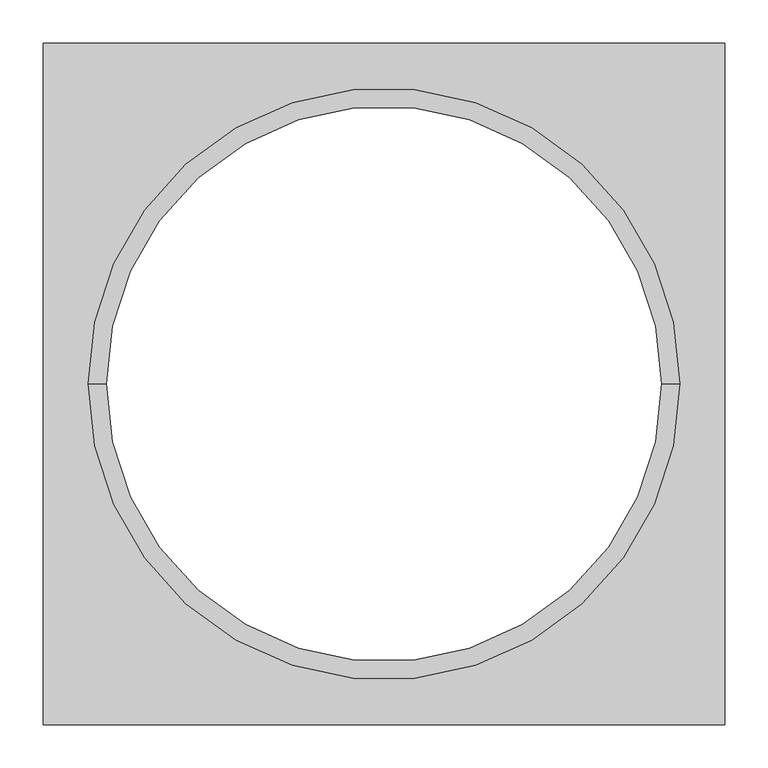
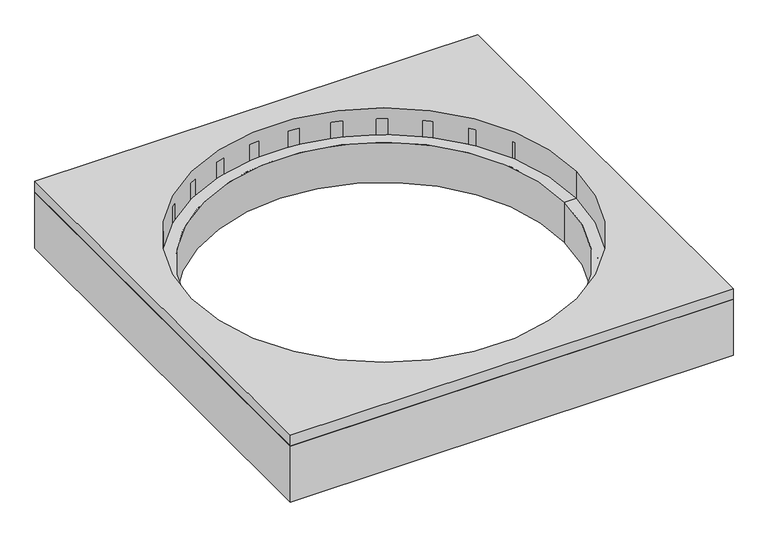
"""IFC4 building model written with IfcOpenShell, lengths in millimetres: sanitary terminal geometry."""

from ifc_helpers import new_model, si_unit, frame, origin, place, context, project, spatial, polyline, circle_curve, source, transform, mapped, element, save
from ifc_brep_helpers import plane_surface, cylinder_surface, revolved_surface, advanced_brep


def sanitary_terminal_58cdbc7f(model_context):
    return source(origin(), model_context, "Body", "AdvancedBrep", [
        advanced_brep(
        [(392.5, 392.5, -20.0), (-392.5, 392.5, -20.0), (-392.5, -392.5, -20.0), (392.5, -392.5, -20.0), (-342.0, 0.0, -20.0), (342.0, 0.0, -20.0), (392.5, 392.5, -125.0), (392.5, -392.5, -125.0), (-392.5, -392.5, -125.0), (-392.5, 392.5, -125.0), (330.0, 0.0, -125.0), (-330.0, 0.0, -125.0), (-330.0, 0.0, -60.0), (330.0, 0.0, -60.0), (342.0, 0.0, -60.0), (-342.0, 0.0, -60.0)],
        [
            (0, 1),
            (1, 2),
            (2, 3),
            (3, 0),
            (4, 5, circle_curve(frame((0.0, 0.0, -20.0), z_axis=(0.0, 0.0, -1.0), x_axis=(1.0, 0.0, 0.0)), 342.0)),
            (5, 4, circle_curve(frame((0.0, 0.0, -20.0), z_axis=(0.0, 0.0, -1.0), x_axis=(1.0, 0.0, 0.0)), 342.0)),
            (6, 7),
            (7, 8),
            (8, 9),
            (9, 6),
            (10, 11, circle_curve(frame((0.0, 0.0, -125.0), z_axis=(0.0, 0.0, 1.0), x_axis=(1.0, 0.0, 0.0)), 330.0)),
            (11, 10, circle_curve(frame((0.0, 0.0, -125.0), z_axis=(0.0, 0.0, 1.0), x_axis=(1.0, 0.0, 0.0)), 330.0)),
            (0, 6),
            (9, 1),
            (8, 2),
            (7, 3),
            (12, 11),
            (10, 13),
            (13, 12, circle_curve(frame((0.0, 0.0, -60.0), z_axis=(0.0, 0.0, 1.0), x_axis=(1.0, 0.0, 0.0)), 330.0)),
            (12, 13, circle_curve(frame((0.0, 0.0, -60.0), z_axis=(0.0, 0.0, 1.0), x_axis=(1.0, 0.0, 0.0)), 330.0)),
            (13, 14),
            (14, 15, circle_curve(frame((0.0, 0.0, -60.0), z_axis=(0.0, 0.0, 1.0), x_axis=(1.0, 0.0, 0.0)), 342.0)),
            (15, 12),
            (15, 14, circle_curve(frame((0.0, 0.0, -60.0), z_axis=(0.0, 0.0, 1.0), x_axis=(1.0, 0.0, 0.0)), 342.0)),
            (14, 5),
            (4, 15),
        ],
        [
            plane_surface(frame((-392.5, 392.5, -20.0), z_axis=(0.0, 0.0, 1.0), x_axis=(-1.0, 0.0, 0.0))),
            plane_surface(frame((-392.5, 392.5, -125.0), z_axis=(0.0, 0.0, -1.0), x_axis=(1.0, 0.0, 0.0))),
            plane_surface(frame((392.5, 392.5, -20.0), z_axis=(0.0, 1.0, 0.0), x_axis=(0.0, 0.0, -1.0))),
            plane_surface(frame((-392.5, 392.5, -20.0), z_axis=(-1.0, 0.0, 0.0), x_axis=(0.0, 0.0, -1.0))),
            plane_surface(frame((-392.5, -392.5, -20.0), z_axis=(0.0, -1.0, 0.0), x_axis=(0.0, 0.0, -1.0))),
            plane_surface(frame((392.5, -392.5, -20.0), z_axis=(1.0, 0.0, 0.0), x_axis=(0.0, 0.0, -1.0))),
            revolved_surface(polyline([(330.0, 0.0, -60.0), (330.0, 0.0, -125.0)]), (0.0, 0.0, 303.6048997), (0.0, 0.0, 1.0)),
            plane_surface(frame((0.0, 0.0, -60.0), z_axis=(0.0, 0.0, 1.0), x_axis=(1.0, 0.0, 0.0))),
            revolved_surface(polyline([(342.0, 0.0, -20.0), (342.0, 0.0, -60.0)]), (0.0, 0.0, 303.6048997), (0.0, 0.0, 1.0)),
        ],
        [
            (0, [[1, 2, 3, 4], [5, 6]]),
            (1, [[7, 8, 9, 10], [11, 12]]),
            (2, [[-1, 13, -10, 14]]),
            (3, [[-2, -14, -9, 15]]),
            (4, [[-3, -15, -8, 16]]),
            (5, [[-4, -16, -7, -13]]),
            (6, [[17, -11, 18, 19]]),
            (6, [[-17, 20, -18, -12]]),
            (7, [[-19, 21, 22, 23]]),
            (7, [[-20, -23, 24, -21]]),
            (8, [[-22, 25, -5, 26]]),
            (8, [[-24, -26, -6, -25]]),
        ],
    ),
        advanced_brep(
        [(392.5, 392.5, -20.0), (392.5, -392.5, -20.0), (-392.5, -392.5, -20.0), (-392.5, 392.5, -20.0), (351.0, 0.0, -20.0), (-351.0, 0.0, -20.0), (392.5, 392.5, 0.0), (-392.5, 392.5, 0.0), (-392.5, -392.5, 0.0), (392.5, -392.5, 0.0), (-341.0, 0.0, 0.0), (341.0, 0.0, 0.0), (-330.0, 0.0, -125.0), (330.0, 0.0, -125.0), (320.0, 0.0, -125.0), (-320.0, 0.0, -125.0), (-330.0, 0.0, -60.0), (330.0, 0.0, -60.0), (-351.0, 0.0, -60.0), (351.0, 0.0, -60.0), (-341.0, 0.0, -50.0), (341.0, 0.0, -50.0), (-320.0, 0.0, -50.0), (320.0, 0.0, -50.0)],
        [
            (0, 1),
            (1, 2),
            (2, 3),
            (3, 0),
            (4, 5, circle_curve(frame((0.0, 0.0, -20.0), z_axis=(0.0, 0.0, 1.0), x_axis=(1.0, 0.0, 0.0)), 351.0)),
            (5, 4, circle_curve(frame((0.0, 0.0, -20.0), z_axis=(0.0, 0.0, 1.0), x_axis=(1.0, 0.0, 0.0)), 351.0)),
            (6, 7),
            (7, 8),
            (8, 9),
            (9, 6),
            (10, 11, circle_curve(frame((0.0, 0.0, 0.0), z_axis=(0.0, 0.0, -1.0), x_axis=(1.0, 0.0, 0.0)), 341.0)),
            (11, 10, circle_curve(frame((0.0, 0.0, 0.0), z_axis=(0.0, 0.0, -1.0), x_axis=(1.0, 0.0, 0.0)), 341.0)),
            (3, 7),
            (6, 0),
            (2, 8),
            (1, 9),
            (12, 13, circle_curve(frame((0.0, 0.0, -125.0), z_axis=(0.0, 0.0, -1.0), x_axis=(1.0, 0.0, 0.0)), 330.0)),
            (13, 14),
            (14, 15, circle_curve(frame((0.0, 0.0, -125.0), z_axis=(0.0, 0.0, 1.0), x_axis=(1.0, 0.0, 0.0)), 320.0)),
            (15, 12),
            (13, 12, circle_curve(frame((0.0, 0.0, -125.0), z_axis=(0.0, 0.0, -1.0), x_axis=(1.0, 0.0, 0.0)), 330.0)),
            (15, 14, circle_curve(frame((0.0, 0.0, -125.0), z_axis=(0.0, 0.0, 1.0), x_axis=(1.0, 0.0, 0.0)), 320.0)),
            (12, 16),
            (16, 17, circle_curve(frame((0.0, 0.0, -60.0), z_axis=(0.0, 0.0, -1.0), x_axis=(1.0, 0.0, 0.0)), 330.0)),
            (17, 13),
            (17, 16, circle_curve(frame((0.0, 0.0, -60.0), z_axis=(0.0, 0.0, -1.0), x_axis=(1.0, 0.0, 0.0)), 330.0)),
            (16, 18),
            (18, 19, circle_curve(frame((0.0, 0.0, -60.0), z_axis=(0.0, 0.0, -1.0), x_axis=(1.0, 0.0, 0.0)), 351.0)),
            (19, 17),
            (19, 18, circle_curve(frame((0.0, 0.0, -60.0), z_axis=(0.0, 0.0, -1.0), x_axis=(1.0, 0.0, 0.0)), 351.0)),
            (18, 5),
            (4, 19),
            (10, 20),
            (20, 21, circle_curve(frame((0.0, 0.0, -50.0), z_axis=(0.0, 0.0, -1.0), x_axis=(1.0, 0.0, 0.0)), 341.0)),
            (21, 11),
            (21, 20, circle_curve(frame((0.0, 0.0, -50.0), z_axis=(0.0, 0.0, -1.0), x_axis=(1.0, 0.0, 0.0)), 341.0)),
            (20, 22),
            (22, 23, circle_curve(frame((0.0, 0.0, -50.0), z_axis=(0.0, 0.0, -1.0), x_axis=(1.0, 0.0, 0.0)), 320.0)),
            (23, 21),
            (23, 22, circle_curve(frame((0.0, 0.0, -50.0), z_axis=(0.0, 0.0, -1.0), x_axis=(1.0, 0.0, 0.0)), 320.0)),
            (14, 23),
            (22, 15),
        ],
        [
            plane_surface(frame((-512.8005207, 392.5, -20.0), z_axis=(0.0, 0.0, -1.0), x_axis=(1.0, 0.0, 0.0))),
            plane_surface(frame((-512.8005207, 392.5, 0.0), z_axis=(0.0, 0.0, 1.0), x_axis=(-1.0, 0.0, 0.0))),
            plane_surface(frame((392.5, 392.5, 0.0), z_axis=(0.0, 1.0, 0.0), x_axis=(0.0, 0.0, -1.0))),
            plane_surface(frame((-392.5, 392.5, 0.0), z_axis=(-1.0, 0.0, 0.0), x_axis=(0.0, 0.0, -1.0))),
            plane_surface(frame((-392.5, -392.5, 0.0), z_axis=(0.0, -1.0, 0.0), x_axis=(0.0, 0.0, -1.0))),
            plane_surface(frame((392.5, -392.5, 0.0), z_axis=(1.0, 0.0, 0.0), x_axis=(0.0, 0.0, -1.0))),
            plane_surface(frame((0.0, 0.0, -125.0), z_axis=(0.0, 0.0, -1.0), x_axis=(1.0, 0.0, 0.0))),
            cylinder_surface(frame((0.0, 0.0, 138.8781658), z_axis=(0.0, 0.0, 1.0), x_axis=(1.0, 0.0, 0.0)), 330.0),
            plane_surface(frame((0.0, 0.0, -60.0), z_axis=(0.0, 0.0, -1.0), x_axis=(1.0, 0.0, 0.0))),
            cylinder_surface(frame((0.0, 0.0, 138.8781658), z_axis=(0.0, 0.0, 1.0), x_axis=(1.0, 0.0, 0.0)), 351.0),
            revolved_surface(polyline([(341.0, 0.0, 0.0), (341.0, 0.0, -50.0)]), (0.0, 0.0, 138.8781658), (0.0, 0.0, 1.0)),
            plane_surface(frame((0.0, 0.0, -50.0), z_axis=(0.0, 0.0, 1.0), x_axis=(1.0, 0.0, 0.0))),
            revolved_surface(polyline([(320.0, 0.0, -50.0), (320.0, 0.0, -125.00000000000003)]), (0.0, 0.0, 138.8781658), (0.0, 0.0, 1.0)),
        ],
        [
            (0, [[1, 2, 3, 4], [5, 6]]),
            (1, [[7, 8, 9, 10], [11, 12]]),
            (2, [[-4, 13, -7, 14]]),
            (3, [[-3, 15, -8, -13]]),
            (4, [[-2, 16, -9, -15]]),
            (5, [[-1, -14, -10, -16]]),
            (6, [[17, 18, 19, 20]]),
            (6, [[-18, 21, -20, 22]]),
            (7, [[-17, 23, 24, 25]]),
            (7, [[-21, -25, 26, -23]]),
            (8, [[-24, 27, 28, 29]]),
            (8, [[-26, -29, 30, -27]]),
            (9, [[-28, 31, -5, 32]]),
            (9, [[-30, -32, -6, -31]]),
            (10, [[-11, 33, 34, 35]]),
            (10, [[-12, -35, 36, -33]]),
            (11, [[-34, 37, 38, 39]]),
            (11, [[-36, -39, 40, -37]]),
            (12, [[-19, 41, -38, 42]]),
            (12, [[-22, -42, -40, -41]]),
        ],
    ),
    ])


if __name__ == "__main__":
    model = new_model("IFC4")
    model_context = context("Model", 3, world=origin())
    ifc_project = project(units=[si_unit("LENGTHUNIT", "METRE", prefix="MILLI")], contexts=[model_context])
    site = spatial("IfcSite", under=ifc_project)
    building = spatial("IfcBuilding", under=site)
    placement = place(None, origin())
    sanitary_terminal_shape = sanitary_terminal_58cdbc7f(model_context)
    element("IfcSanitaryTerminal", 1, at=placement, inside=building, context=model_context, shape_type="MappedRepresentation", body=[
        mapped(sanitary_terminal_shape, transform((0.0, 0.0, 0.0), x_axis=(1.0, 0.0, 0.0), y_axis=(0.0, 1.0, 0.0), z_axis=(0.0, 0.0, 1.0))),
    ])
    save(model, "model.ifc")
